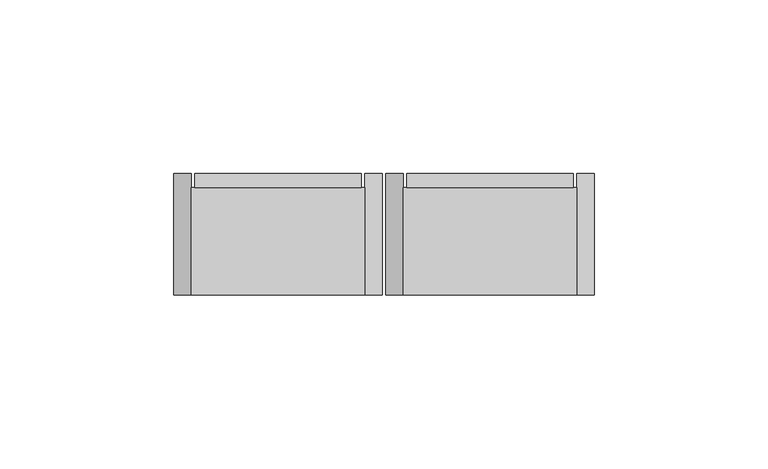
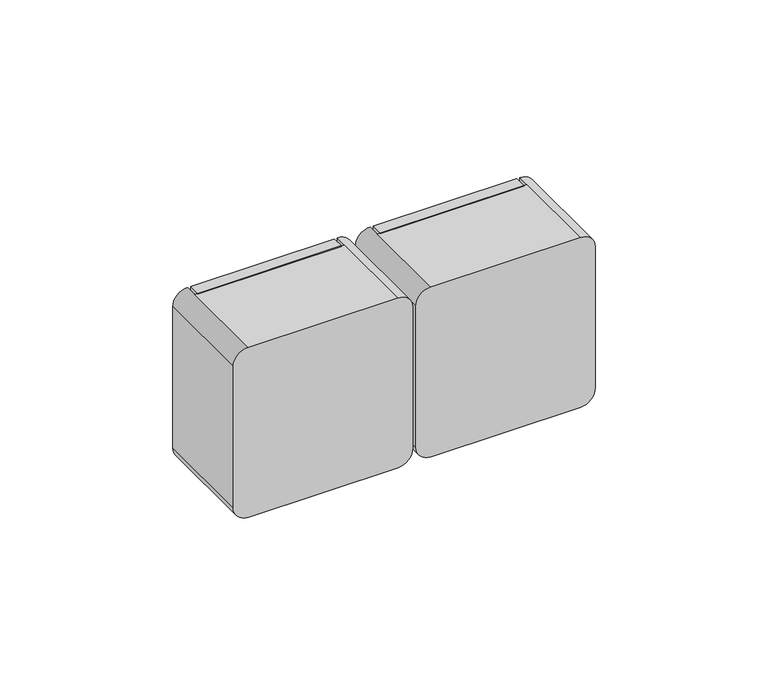
"""IFC4 building model written with IfcOpenShell, lengths in millimetres: proxy geometry."""

from ifc_helpers import new_model, si_unit, frame, origin, place, context, project, spatial, polyline, circle_curve, outline, extrude, source, transform, mapped, element, save
from ifc_brep_helpers import plane_surface, cylinder_surface, advanced_brep


def electrical_fixtures_4df280f8(model_context):
    return source(origin(), model_context, "Body", "SolidModel", [
        extrude(outline(polyline([(70.0, 35.0), (118.0, 35.0), (118.0, 31.0), (70.0, 31.0), (70.0, 35.0)])), frame((0.0, 0.0, 150.0), z_axis=(0.0, 0.0, 1.0), x_axis=(1.0, 0.0, 0.0)), (0.0, 0.0, 1.0), 60.0),
        advanced_brep(
        [(119.0, 35.0, 210.0), (124.0, 35.0, 205.0), (124.0, 35.0, 155.0), (119.0, 35.0, 150.0), (69.0, 35.0, 150.0), (64.0, 35.0, 155.0), (64.0, 35.0, 205.0), (69.0, 35.0, 210.0), (69.0, 0.0, 210.0), (64.0, 0.0, 205.0), (64.0, 0.0, 155.0), (69.0, 0.0, 150.0), (119.0, 0.0, 150.0), (124.0, 0.0, 155.0), (124.0, 0.0, 205.0), (119.0, 0.0, 210.0), (119.0, 31.0, 210.0), (69.0, 31.0, 210.0), (69.0, 31.0, 150.0), (119.0, 31.0, 150.0)],
        [
            (0, 1, circle_curve(frame((119.0, 35.0, 205.0), z_axis=(0.0, 1.0, 0.0), x_axis=(-1.0, 0.0, 0.0)), 5.0)),
            (1, 2),
            (2, 3, circle_curve(frame((119.0, 35.0, 155.0), z_axis=(0.0, 1.0, 0.0), x_axis=(-1.0, 0.0, 0.0)), 5.0)),
            (3, 0),
            (4, 5, circle_curve(frame((69.0, 35.0, 155.0), z_axis=(0.0, 1.0, 0.0), x_axis=(-1.0, 0.0, 0.0)), 5.0)),
            (5, 6),
            (6, 7, circle_curve(frame((69.0, 35.0, 205.0), z_axis=(0.0, 1.0, 0.0), x_axis=(-1.0, 0.0, 0.0)), 5.0)),
            (7, 4),
            (8, 9, circle_curve(frame((69.0, 0.0, 205.0), z_axis=(0.0, -1.0, 0.0), x_axis=(-1.0, 0.0, 0.0)), 5.0)),
            (9, 10),
            (10, 11, circle_curve(frame((69.0, 0.0, 155.0), z_axis=(0.0, -1.0, 0.0), x_axis=(-1.0, 0.0, 0.0)), 5.0)),
            (11, 12),
            (12, 13, circle_curve(frame((119.0, 0.0, 155.0), z_axis=(0.0, -1.0, 0.0), x_axis=(-1.0, 0.0, 0.0)), 5.0)),
            (13, 14),
            (14, 15, circle_curve(frame((119.0, 0.0, 205.0), z_axis=(0.0, -1.0, 0.0), x_axis=(-1.0, 0.0, 0.0)), 5.0)),
            (15, 8),
            (15, 16),
            (16, 17),
            (17, 8),
            (1, 14),
            (13, 2),
            (11, 18),
            (18, 19),
            (19, 12),
            (5, 10),
            (9, 6),
            (0, 16),
            (19, 3),
            (4, 18),
            (17, 7),
            (16, 19),
            (18, 17),
        ],
        [
            plane_surface(frame((114.0, 35.0, 210.0), z_axis=(0.0, 1.0, 0.0), x_axis=(1.0, 0.0, 0.0))),
            plane_surface(frame((114.0, 0.0, 210.0), z_axis=(0.0, -1.0, 0.0), x_axis=(-1.0, 0.0, 0.0))),
            plane_surface(frame((69.0, 35.0, 210.0), z_axis=(0.0, 0.0, 1.0), x_axis=(0.0, -1.0, 0.0))),
            plane_surface(frame((124.0, 35.0, 205.0), z_axis=(1.0, 0.0, 0.0), x_axis=(0.0, -1.0, 0.0))),
            plane_surface(frame((119.0, 35.0, 150.0), z_axis=(0.0, 0.0, -1.0), x_axis=(0.0, -1.0, 0.0))),
            plane_surface(frame((64.0, 35.0, 155.0), z_axis=(-1.0, 0.0, 0.0), x_axis=(0.0, -1.0, 0.0))),
            cylinder_surface(frame((119.0, 0.0, 205.0), z_axis=(0.0, 1.0, 0.0), x_axis=(-1.0, 0.0, 0.0)), 5.0),
            cylinder_surface(frame((119.0, 0.0, 155.0), z_axis=(0.0, 1.0, 0.0), x_axis=(-1.0, 0.0, 0.0)), 5.0),
            cylinder_surface(frame((69.0, 0.0, 155.0), z_axis=(0.0, 1.0, 0.0), x_axis=(-1.0, 0.0, 0.0)), 5.0),
            cylinder_surface(frame((69.0, 0.0, 205.0), z_axis=(0.0, 1.0, 0.0), x_axis=(-1.0, 0.0, 0.0)), 5.0),
            plane_surface(frame((69.0, 31.0, 210.0), z_axis=(0.0, 1.0, 0.0), x_axis=(0.0, 0.0, -1.0))),
            plane_surface(frame((69.0, 31.0, 210.0), z_axis=(1.0, 0.0, 0.0), x_axis=(0.0, 1.0, 0.0))),
            plane_surface(frame((119.0, 31.0, 150.0), z_axis=(-1.0, 0.0, 0.0), x_axis=(0.0, 1.0, 0.0))),
        ],
        [
            (0, [[1, 2, 3, 4]]),
            (0, [[5, 6, 7, 8]]),
            (1, [[9, 10, 11, 12, 13, 14, 15, 16]]),
            (2, [[-16, 17, 18, 19]]),
            (3, [[-2, 20, -14, 21]]),
            (4, [[-12, 22, 23, 24]]),
            (5, [[-6, 25, -10, 26]]),
            (6, [[-1, 27, -17, -15, -20]]),
            (7, [[-3, -21, -13, -24, 28]]),
            (8, [[-5, 29, -22, -11, -25]]),
            (9, [[-7, -26, -9, -19, 30]]),
            (10, [[31, -23, 32, -18]]),
            (11, [[-32, -29, -8, -30]]),
            (12, [[-31, -27, -4, -28]]),
        ],
    ),
        extrude(outline(polyline([(131.0, 35.0), (179.0, 35.0), (179.0, 31.0), (131.0, 31.0), (131.0, 35.0)])), frame((0.0, 0.0, 150.0), z_axis=(0.0, 0.0, 1.0), x_axis=(1.0, 0.0, 0.0)), (0.0, 0.0, 1.0), 60.0),
        advanced_brep(
        [(180.0, 35.0, 210.0), (185.0, 35.0, 205.0), (185.0, 35.0, 155.0), (180.0, 35.0, 150.0), (130.0, 35.0, 150.0), (125.0, 35.0, 155.0), (125.0, 35.0, 205.0), (130.0, 35.0, 210.0), (130.0, 0.0, 210.0), (125.0, 0.0, 205.0), (125.0, 0.0, 155.0), (130.0, 0.0, 150.0), (180.0, 0.0, 150.0), (185.0, 0.0, 155.0), (185.0, 0.0, 205.0), (180.0, 0.0, 210.0), (180.0, 31.0, 210.0), (130.0, 31.0, 210.0), (130.0, 31.0, 150.0), (180.0, 31.0, 150.0)],
        [
            (0, 1, circle_curve(frame((180.0, 35.0, 205.0), z_axis=(0.0, 1.0, 0.0), x_axis=(-1.0, 0.0, 0.0)), 5.0)),
            (1, 2),
            (2, 3, circle_curve(frame((180.0, 35.0, 155.0), z_axis=(0.0, 1.0, 0.0), x_axis=(-1.0, 0.0, 0.0)), 5.0)),
            (3, 0),
            (4, 5, circle_curve(frame((130.0, 35.0, 155.0), z_axis=(0.0, 1.0, 0.0), x_axis=(-1.0, 0.0, 0.0)), 5.0)),
            (5, 6),
            (6, 7, circle_curve(frame((130.0, 35.0, 205.0), z_axis=(0.0, 1.0, 0.0), x_axis=(-1.0, 0.0, 0.0)), 5.0)),
            (7, 4),
            (8, 9, circle_curve(frame((130.0, 0.0, 205.0), z_axis=(0.0, -1.0, 0.0), x_axis=(-1.0, 0.0, 0.0)), 5.0)),
            (9, 10),
            (10, 11, circle_curve(frame((130.0, 0.0, 155.0), z_axis=(0.0, -1.0, 0.0), x_axis=(-1.0, 0.0, 0.0)), 5.0)),
            (11, 12),
            (12, 13, circle_curve(frame((180.0, 0.0, 155.0), z_axis=(0.0, -1.0, 0.0), x_axis=(-1.0, 0.0, 0.0)), 5.0)),
            (13, 14),
            (14, 15, circle_curve(frame((180.0, 0.0, 205.0), z_axis=(0.0, -1.0, 0.0), x_axis=(-1.0, 0.0, 0.0)), 5.0)),
            (15, 8),
            (15, 16),
            (16, 17),
            (17, 8),
            (1, 14),
            (13, 2),
            (11, 18),
            (18, 19),
            (19, 12),
            (5, 10),
            (9, 6),
            (0, 16),
            (19, 3),
            (4, 18),
            (17, 7),
            (16, 19),
            (18, 17),
        ],
        [
            plane_surface(frame((175.0, 35.0, 210.0), z_axis=(0.0, 1.0, 0.0), x_axis=(1.0, 0.0, 0.0))),
            plane_surface(frame((175.0, 0.0, 210.0), z_axis=(0.0, -1.0, 0.0), x_axis=(-1.0, 0.0, 0.0))),
            plane_surface(frame((130.0, 35.0, 210.0), z_axis=(0.0, 0.0, 1.0), x_axis=(0.0, -1.0, 0.0))),
            plane_surface(frame((185.0, 35.0, 205.0), z_axis=(1.0, 0.0, 0.0), x_axis=(0.0, -1.0, 0.0))),
            plane_surface(frame((180.0, 35.0, 150.0), z_axis=(0.0, 0.0, -1.0), x_axis=(0.0, -1.0, 0.0))),
            plane_surface(frame((125.0, 35.0, 155.0), z_axis=(-1.0, 0.0, 0.0), x_axis=(0.0, -1.0, 0.0))),
            cylinder_surface(frame((180.0, 0.0, 205.0), z_axis=(0.0, 1.0, 0.0), x_axis=(-1.0, 0.0, 0.0)), 5.0),
            cylinder_surface(frame((180.0, 0.0, 155.0), z_axis=(0.0, 1.0, 0.0), x_axis=(-1.0, 0.0, 0.0)), 5.0),
            cylinder_surface(frame((130.0, 0.0, 155.0), z_axis=(0.0, 1.0, 0.0), x_axis=(-1.0, 0.0, 0.0)), 5.0),
            cylinder_surface(frame((130.0, 0.0, 205.0), z_axis=(0.0, 1.0, 0.0), x_axis=(-1.0, 0.0, 0.0)), 5.0),
            plane_surface(frame((130.0, 31.0, 210.0), z_axis=(0.0, 1.0, 0.0), x_axis=(0.0, 0.0, -1.0))),
            plane_surface(frame((130.0, 31.0, 210.0), z_axis=(1.0, 0.0, 0.0), x_axis=(0.0, 1.0, 0.0))),
            plane_surface(frame((180.0, 31.0, 150.0), z_axis=(-1.0, 0.0, 0.0), x_axis=(0.0, 1.0, 0.0))),
        ],
        [
            (0, [[1, 2, 3, 4]]),
            (0, [[5, 6, 7, 8]]),
            (1, [[9, 10, 11, 12, 13, 14, 15, 16]]),
            (2, [[-16, 17, 18, 19]]),
            (3, [[-2, 20, -14, 21]]),
            (4, [[-12, 22, 23, 24]]),
            (5, [[-6, 25, -10, 26]]),
            (6, [[-1, 27, -17, -15, -20]]),
            (7, [[-3, -21, -13, -24, 28]]),
            (8, [[-5, 29, -22, -11, -25]]),
            (9, [[-7, -26, -9, -19, 30]]),
            (10, [[31, -23, 32, -18]]),
            (11, [[-32, -29, -8, -30]]),
            (12, [[-31, -27, -4, -28]]),
        ],
    ),
    ])


if __name__ == "__main__":
    model = new_model("IFC4")
    model_context = context("Model", 3, world=origin())
    ifc_project = project(units=[si_unit("LENGTHUNIT", "METRE", prefix="MILLI")], contexts=[model_context])
    site = spatial("IfcSite", under=ifc_project)
    building = spatial("IfcBuilding", under=site)
    placement = place(None, origin())
    electrical_fixtures_shape = electrical_fixtures_4df280f8(model_context)
    element("IfcBuildingElementProxy", 1, Name="Electrical Fixtures", at=placement, inside=building, context=model_context, shape_type="MappedRepresentation", body=[
        mapped(electrical_fixtures_shape, transform((0.0, 0.0, 0.0), x_axis=(1.0, 0.0, 0.0), y_axis=(0.0, 1.0, 0.0), z_axis=(0.0, 0.0, 1.0))),
    ])
    save(model, "model.ifc")
